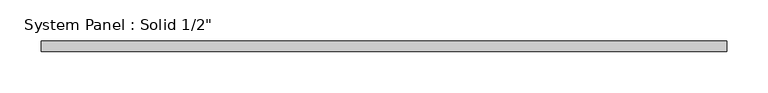
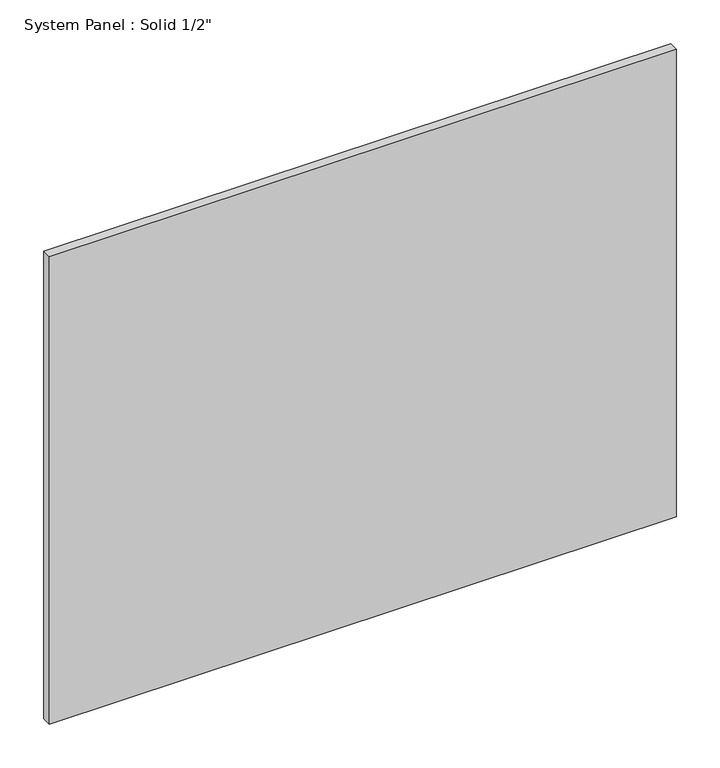
"""IFC4 building model written with IfcOpenShell, lengths in millimetres: plate geometry."""

from ifc_helpers import new_model, si_unit, origin, origin_with_axes, place, context, project, spatial, polyline, outline, extrude, source, transform, mapped, element, save


def plate_28805b53(model_context):
    return source(origin(), model_context, "Body", "SweptSolid", [
        extrude(outline(polyline([(414.8666667, -6.35), (-414.8666667, -6.35), (-414.8666667, 6.35), (414.8666667, 6.35), (414.8666667, -6.35)])), origin_with_axes(), (0.0, 0.0, 1.0), 654.05),
    ])


if __name__ == "__main__":
    model = new_model("IFC4")
    model_context = context("Model", 3, world=origin())
    ifc_project = project(units=[si_unit("LENGTHUNIT", "METRE", prefix="MILLI")], contexts=[model_context])
    site = spatial("IfcSite", under=ifc_project)
    building = spatial("IfcBuilding", under=site)
    placement = place(None, origin())
    plate_shape = plate_28805b53(model_context)
    element("IfcPlate", 1, ObjectType="System Panel : Solid 1/2\"", at=placement, inside=building, context=model_context, shape_type="MappedRepresentation", body=[
        mapped(plate_shape, transform((0.0, 0.0, 0.0), x_axis=(1.0, 0.0, 0.0), y_axis=(0.0, 1.0, 0.0), z_axis=(0.0, 0.0, 1.0))),
    ])
    save(model, "model.ifc")
